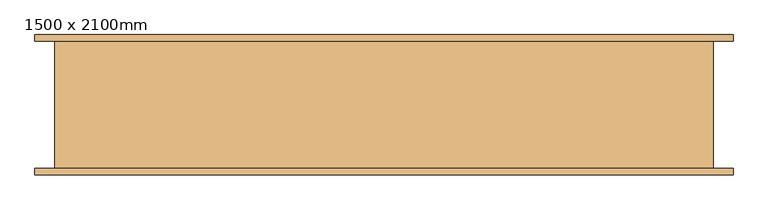
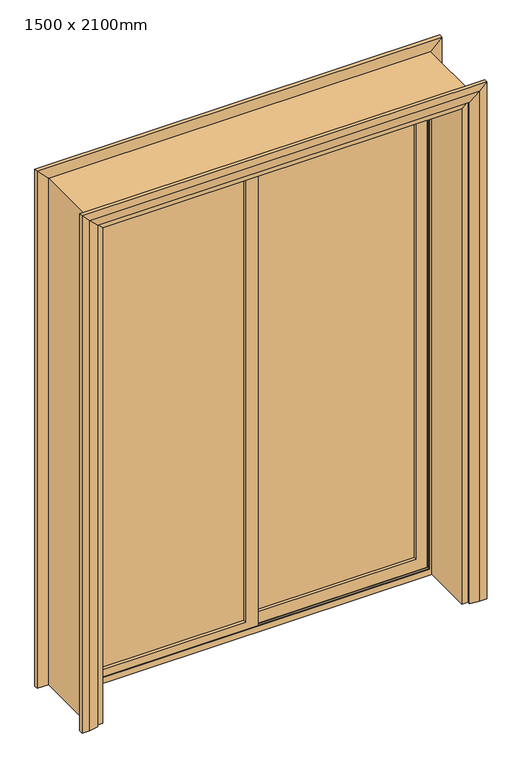
"""IFC4 building model written with IfcOpenShell, lengths in millimetres: door geometry, 1500 x 2100mm."""

from ifc_helpers import new_model, si_unit, frame, origin, place, context, project, spatial, polyline, outline, extrude, faceted_brep, source, transform, mapped, element, save


def door_1500_x_2100mm_d148ae01(model_context):
    return source(origin(), model_context, "Body", "SolidModel", [
        extrude(outline(polyline([(-664.0, 80.0), (-25.0, 80.0), (-25.0, 74.0), (-664.0, 74.0), (-664.0, 80.0)])), frame((0.0, 0.0, 56.0), z_axis=(0.0, 0.0, 1.0), x_axis=(1.0, 0.0, 0.0)), (0.0, 0.0, 1.0), 1958.0),
        extrude(outline(polyline([(2064.0, 25.0), (2064.0, -714.0), (6.0, -714.0), (6.0, 25.0), (2064.0, 25.0)]), holes=[polyline([(2014.0, -25.0), (56.0, -25.0), (56.0, -664.0), (2014.0, -664.0), (2014.0, -25.0)])]), frame((0.0, 62.0, 0.0), z_axis=(0.0, 1.0, 0.0), x_axis=(0.0, 0.0, 1.0)), (0.0, 0.0, 1.0), 30.0),
        extrude(outline(polyline([(25.0, 113.0), (664.0, 113.0), (664.0, 107.0), (25.0, 107.0), (25.0, 113.0)])), frame((0.0, 0.0, 56.0), z_axis=(0.0, 0.0, 1.0), x_axis=(1.0, 0.0, 0.0)), (0.0, 0.0, 1.0), 1958.0),
        extrude(outline(polyline([(2064.0, -25.0), (6.0, -25.0), (6.0, 714.0), (2064.0, 714.0), (2064.0, -25.0)]), holes=[polyline([(2014.0, 25.0), (2014.0, 664.0), (56.0, 664.0), (56.0, 25.0), (2014.0, 25.0)])]), frame((0.0, 95.0, 0.0), z_axis=(0.0, 1.0, 0.0), x_axis=(0.0, 0.0, 1.0)), (0.0, 0.0, 1.0), 30.0),
        faceted_brep([(-720.0, 110.0, 0.0), (-720.0, 59.0, 0.0), (-720.0, 59.0, 2070.0), (-720.0, 110.0, 2070.0), (-700.0, 107.173064, 20.0), (-700.0, 110.0, 20.0), (-700.0, 110.0, 2050.0), (-700.0, 107.173064, 2050.0), (-715.0, 79.826936, 5.0), (-715.0, 107.173064, 5.0), (-715.0, 107.173064, 2065.0), (-715.0, 79.826936, 2065.0), (-700.0, 77.0, 20.0), (-700.0, 79.826936, 20.0), (-700.0, 79.826936, 2050.0), (-700.0, 77.0, 2050.0), (-715.0, 62.0, 5.0), (-715.0, 77.0, 5.0), (-715.0, 77.0, 2065.0), (-715.0, 62.0, 2065.0), (-695.0, 59.0, 25.0), (-695.0, 62.0, 25.0), (-695.0, 62.0, 2045.0), (-695.0, 59.0, 2045.0), (720.0, 59.0, 2070.0), (720.0, 110.0, 2070.0), (700.0, 110.0, 2050.0), (700.0, 107.173064, 2050.0), (715.0, 107.173064, 2065.0), (715.0, 79.826936, 2065.0), (700.0, 79.826936, 2050.0), (700.0, 77.0, 2050.0), (715.0, 77.0, 2065.0), (715.0, 62.0, 2065.0), (695.0, 62.0, 2045.0), (695.0, 59.0, 2045.0), (720.0, 59.0, 0.0), (720.0, 110.0, 0.0), (700.0, 110.0, 20.0), (700.0, 107.173064, 20.0), (715.0, 107.173064, 5.0), (715.0, 79.826936, 5.0), (700.0, 79.826936, 20.0), (700.0, 77.0, 20.0), (715.0, 77.0, 5.0), (715.0, 62.0, 5.0), (695.0, 62.0, 25.0), (695.0, 59.0, 25.0)], [[[0, 1, 2, 3]], [[4, 5, 6, 7]], [[8, 9, 10, 11]], [[12, 13, 14, 15]], [[16, 17, 18, 19]], [[20, 21, 22, 23]], [[3, 2, 24, 25]], [[7, 6, 26, 27]], [[11, 10, 28, 29]], [[15, 14, 30, 31]], [[19, 18, 32, 33]], [[23, 22, 34, 35]], [[25, 24, 36, 37]], [[27, 26, 38, 39]], [[29, 28, 40, 41]], [[31, 30, 42, 43]], [[33, 32, 44, 45]], [[35, 34, 46, 47]], [[1, 36, 24, 2], [23, 35, 47, 20]], [[37, 36, 1, 0]], [[3, 25, 37, 0], [5, 38, 26, 6]], [[39, 38, 5, 4]], [[9, 40, 28, 10], [7, 27, 39, 4]], [[41, 40, 9, 8]], [[11, 29, 41, 8], [13, 42, 30, 14]], [[43, 42, 13, 12]], [[17, 44, 32, 18], [15, 31, 43, 12]], [[45, 44, 17, 16]], [[19, 33, 45, 16], [21, 46, 34, 22]], [[47, 46, 21, 20]]]),
        faceted_brep([(-720.0, 145.0, 0.0), (-720.0, 59.0, 0.0), (-705.0, 59.0, 0.0), (-705.0, -145.0, 0.0), (-750.0, -145.0, 0.0), (-750.0, 145.0, 0.0), (-720.0, 145.0, 2070.0), (-720.0, 59.0, 2070.0), (-705.0, 59.0, 2055.0), (-705.0, -145.0, 2055.0), (-750.0, -145.0, 2100.0), (-750.0, 145.0, 2100.0), (720.0, 145.0, 2070.0), (720.0, 59.0, 2070.0), (705.0, 59.0, 2055.0), (705.0, -145.0, 2055.0), (750.0, -145.0, 2100.0), (750.0, 145.0, 2100.0), (720.0, 145.0, 0.0), (750.0, 145.0, 0.0), (750.0, -145.0, 0.0), (705.0, -145.0, 0.0), (705.0, 59.0, 0.0), (720.0, 59.0, 0.0)], [[[0, 1, 2, 3, 4, 5]], [[1, 0, 6, 7]], [[2, 1, 7, 8]], [[3, 2, 8, 9]], [[4, 3, 9, 10]], [[5, 4, 10, 11]], [[0, 5, 11, 6]], [[7, 6, 12, 13]], [[8, 7, 13, 14]], [[9, 8, 14, 15]], [[10, 9, 15, 16]], [[11, 10, 16, 17]], [[6, 11, 17, 12]], [[18, 19, 20, 21, 22, 23]], [[13, 12, 18, 23]], [[14, 13, 23, 22]], [[15, 14, 22, 21]], [[16, 15, 21, 20]], [[17, 16, 20, 19]], [[12, 17, 19, 18]]]),
        faceted_brep([(-730.0, 155.0, 0.0), (-730.0, 145.0, 0.0), (-795.0, 145.0, 0.0), (-795.0, 160.0, 0.0), (-765.0, 160.0, 0.0), (-730.0, 155.0, 2080.0), (-730.0, 145.0, 2080.0), (-795.0, 145.0, 2145.0), (-795.0, 160.0, 2145.0), (-765.0, 160.0, 2115.0), (730.0, 155.0, 2080.0), (730.0, 145.0, 2080.0), (795.0, 145.0, 2145.0), (795.0, 160.0, 2145.0), (765.0, 160.0, 2115.0), (730.0, 155.0, 0.0), (765.0, 160.0, 0.0), (795.0, 160.0, 0.0), (795.0, 145.0, 0.0), (730.0, 145.0, 0.0)], [[[0, 1, 2, 3, 4]], [[1, 0, 5, 6]], [[2, 1, 6, 7]], [[3, 2, 7, 8]], [[4, 3, 8, 9]], [[0, 4, 9, 5]], [[6, 5, 10, 11]], [[7, 6, 11, 12]], [[8, 7, 12, 13]], [[9, 8, 13, 14]], [[5, 9, 14, 10]], [[15, 16, 17, 18, 19]], [[11, 10, 15, 19]], [[12, 11, 19, 18]], [[13, 12, 18, 17]], [[14, 13, 17, 16]], [[10, 14, 16, 15]]]),
        faceted_brep([(-730.0, -155.0, 0.0), (-765.0, -160.0, 0.0), (-795.0, -160.0, 0.0), (-795.0, -145.0, 0.0), (-730.0, -145.0, 0.0), (-730.0, -155.0, 2080.0), (-765.0, -160.0, 2115.0), (-795.0, -160.0, 2145.0), (-795.0, -145.0, 2145.0), (-730.0, -145.0, 2080.0), (730.0, -155.0, 2080.0), (765.0, -160.0, 2115.0), (795.0, -160.0, 2145.0), (795.0, -145.0, 2145.0), (730.0, -145.0, 2080.0), (730.0, -155.0, 0.0), (730.0, -145.0, 0.0), (795.0, -145.0, 0.0), (795.0, -160.0, 0.0), (765.0, -160.0, 0.0)], [[[0, 1, 2, 3, 4]], [[1, 0, 5, 6]], [[2, 1, 6, 7]], [[3, 2, 7, 8]], [[4, 3, 8, 9]], [[0, 4, 9, 5]], [[6, 5, 10, 11]], [[7, 6, 11, 12]], [[8, 7, 12, 13]], [[9, 8, 13, 14]], [[5, 9, 14, 10]], [[15, 16, 17, 18, 19]], [[11, 10, 15, 19]], [[12, 11, 19, 18]], [[13, 12, 18, 17]], [[14, 13, 17, 16]], [[10, 14, 16, 15]]]),
    ])


if __name__ == "__main__":
    model = new_model("IFC4")
    model_context = context("Model", 3, world=origin())
    ifc_project = project(units=[si_unit("LENGTHUNIT", "METRE", prefix="MILLI")], contexts=[model_context])
    site = spatial("IfcSite", under=ifc_project)
    building = spatial("IfcBuilding", under=site)
    placement = place(None, origin())
    door_1500_x_2100mm_shape = door_1500_x_2100mm_d148ae01(model_context)
    element("IfcDoor", 1, ObjectType="1500 x 2100mm", at=placement, inside=building, context=model_context, shape_type="MappedRepresentation", body=[
        mapped(door_1500_x_2100mm_shape, transform((0.0, 0.0, 0.0), x_axis=(1.0, 0.0, 0.0), y_axis=(0.0, 1.0, 0.0), z_axis=(0.0, 0.0, 1.0))),
    ])
    save(model, "model.ifc")
